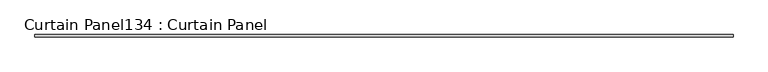
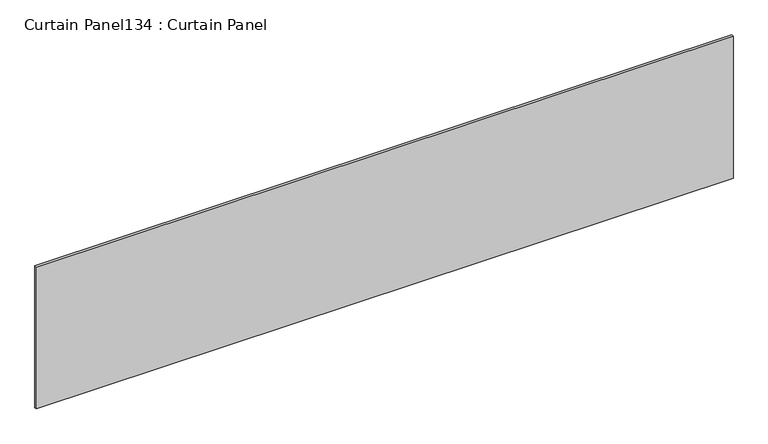
"""IFC4 building model written with IfcOpenShell, lengths in millimetres: plate geometry, Curtain Panel134 : Curtain Panel."""

from ifc_helpers import new_model, si_unit, frame, origin, place, context, project, spatial, polyline, outline, extrude, source, transform, mapped, element, save


def curtain_panel134_curtain_panel_7f4c4510(model_context):
    return source(origin(), model_context, "Body", "SweptSolid", [
        extrude(outline(polyline([(308907.4925793, 2040.743529), (301897.0925793, 2040.743529), (301897.0925793, 2066.143529), (308907.4925793, 2066.143529), (308907.4925793, 2040.743529)])), frame((0.0, 0.0, 7171.4237648), z_axis=(0.0, 0.0, 1.0), x_axis=(1.0, 0.0, 0.0)), (0.0, 0.0, 1.0), 1509.2926169),
    ])


if __name__ == "__main__":
    model = new_model("IFC4")
    model_context = context("Model", 3, world=origin())
    ifc_project = project(units=[si_unit("LENGTHUNIT", "METRE", prefix="MILLI")], contexts=[model_context])
    site = spatial("IfcSite", under=ifc_project)
    building = spatial("IfcBuilding", under=site)
    placement = place(None, origin())
    curtain_panel134_curtain_panel_shape = curtain_panel134_curtain_panel_7f4c4510(model_context)
    element("IfcPlate", 1, ObjectType="Curtain Panel134 : Curtain Panel", at=placement, inside=building, context=model_context, shape_type="MappedRepresentation", body=[
        mapped(curtain_panel134_curtain_panel_shape, transform((0.0, 0.0, 0.0), x_axis=(1.0, 0.0, 0.0), y_axis=(0.0, 1.0, 0.0), z_axis=(0.0, 0.0, 1.0))),
    ])
    save(model, "model.ifc")
